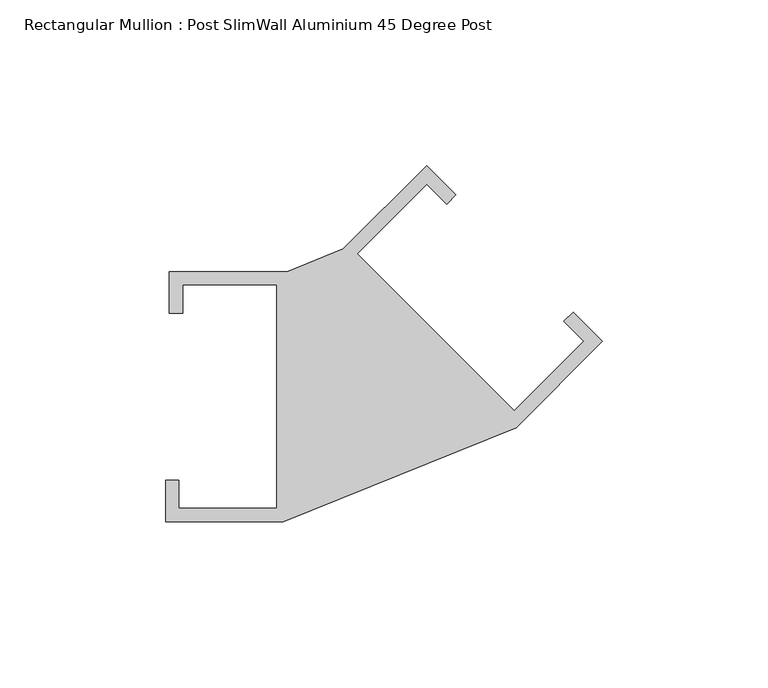
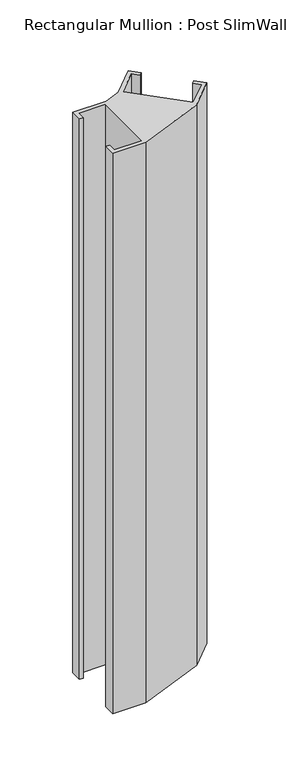
"""IFC4 building model written with IfcOpenShell, lengths in millimetres: member geometry, Rectangular Mullion : Post SlimWall Aluminium 45 Degree Post."""

import ifcopenshell
import ifcopenshell.guid

model = None  # the IFC model being written
_history = None  # IfcOwnerHistory: only IFC2X3 demands one
_inside = {}  # id of a spatial element -> (the spatial element, [elements in it])
_under = {}  # id of a project, library or spatial element -> (it, [spatial elements below it])
_declared = {}  # id of a project -> (the project, [libraries it declares])
_typed = {}  # id of a type object -> (the type object, [elements of that type])
_made_of = {}  # id of a material, layer set ... -> (it, [elements and type objects made of it])


def new_model(schema):
    """Start an empty IFC model of exactly this schema.

    Asked for "IFC4X3", IfcOpenShell would pick the latest addendum, in which some entities
    have other attributes; the version numbers below select the first issue.
    IFC2X3 requires an IfcOwnerHistory on every rooted entity: one is made here for all.
    """
    global model, _history
    if schema == "IFC4X3":
        model = ifcopenshell.file(schema_version=(4, 3, 0, 0))
    else:
        model = ifcopenshell.file(schema=schema)
    _inside.clear()
    _under.clear()
    _declared.clear()
    _typed.clear()
    _made_of.clear()
    _history = None
    if model.schema == "IFC2X3":
        org = make("IfcOrganization", Name="unknown")
        user = make(
            "IfcPersonAndOrganization",
            ThePerson=make("IfcPerson", FamilyName="unknown"),
            TheOrganization=org,
        )
        app = make(
            "IfcApplication",
            ApplicationDeveloper=org,
            Version="unknown",
            ApplicationFullName="unknown",
            ApplicationIdentifier="unknown",
        )
        _history = make(
            "IfcOwnerHistory",
            OwningUser=user,
            OwningApplication=app,
            ChangeAction="ADDED",
            CreationDate=0,
        )
    return model


def make(cls, **values):
    """One entity of the class cls with the attributes given. An attribute that is None is left unset."""
    return model.create_entity(
        cls, **{name: value for name, value in values.items() if value is not None}
    )


def rooted(cls, **values):
    """An entity with a GlobalId (a new one), such as an element, a storey or a relation."""
    return make(cls, GlobalId=ifcopenshell.guid.new(), OwnerHistory=_history, **values)


def si_unit(unit_type, name, prefix=None):
    """IfcSIUnit, for example si_unit("LENGTHUNIT", "METRE", prefix="MILLI")."""
    return make("IfcSIUnit", UnitType=unit_type, Prefix=prefix, Name=name)


def assignment(units):
    """IfcUnitAssignment: the units of a project."""
    return None if units is None else make("IfcUnitAssignment", Units=units)


def point(xyz):
    """IfcCartesianPoint."""
    return None if xyz is None else make("IfcCartesianPoint", Coordinates=xyz)


def direction(xyz):
    """IfcDirection."""
    return None if xyz is None else make("IfcDirection", DirectionRatios=xyz)


def frame(location, z_axis=None, x_axis=None):
    """IfcAxis2Placement3D, a coordinate frame: its origin and axes. An axis left out is left unset."""
    return make(
        "IfcAxis2Placement3D",
        Location=point(location),
        Axis=direction(z_axis),
        RefDirection=direction(x_axis),
    )


def origin():
    """The frame at (0, 0, 0) with its axes left unset."""
    return frame((0.0, 0.0, 0.0))


def place(relative_to, where):
    """IfcLocalPlacement: puts the frame where relative to a parent placement (None: the world)."""
    return make(
        "IfcLocalPlacement", PlacementRelTo=relative_to, RelativePlacement=where
    )


def context(
    kind, dimensions, precision=None, world=None, true_north=None, identifier=None
):
    """IfcGeometricRepresentationContext, for example the 3D "Model" context."""
    return make(
        "IfcGeometricRepresentationContext",
        ContextIdentifier=identifier,
        ContextType=kind,
        CoordinateSpaceDimension=dimensions,
        Precision=precision,
        WorldCoordinateSystem=world,
        TrueNorth=true_north,
    )


def project(units=None, contexts=None):
    """IfcProject with its units and contexts."""
    return rooted(
        "IfcProject",
        Name="project",
        RepresentationContexts=contexts,
        UnitsInContext=assignment(units),
    )


def spatial(cls, under=None, at=None, **own):
    """A site, building, storey or space (cls), placed at a placement, below another one or the project."""
    s = rooted(cls, ObjectPlacement=at, **own)
    if under is not None:
        _under.setdefault(under.id(), (under, []))[1].append(s)
    return s


def polyline(points):
    """IfcPolyline through the points."""
    return make("IfcPolyline", Points=[point(p) for p in points])


def outline(outer, holes=None, kind="AREA"):
    """IfcArbitraryClosedProfileDef: a profile drawn as a closed curve; with holes, ...WithVoids."""
    if holes is None:
        return make("IfcArbitraryClosedProfileDef", ProfileType=kind, OuterCurve=outer)
    return make(
        "IfcArbitraryProfileDefWithVoids",
        ProfileType=kind,
        OuterCurve=outer,
        InnerCurves=holes,
    )


def extrude(swept, where, along, depth):
    """IfcExtrudedAreaSolid: the profile swept, set in the frame where, extruded along a direction by depth."""
    return make(
        "IfcExtrudedAreaSolid",
        SweptArea=swept,
        Position=where,
        ExtrudedDirection=direction(along),
        Depth=depth,
    )


def shape(context_of_items, identifier, shape_type, items):
    """IfcShapeRepresentation: the items that make up one representation, for example the "Body"."""
    return make(
        "IfcShapeRepresentation",
        ContextOfItems=context_of_items,
        RepresentationIdentifier=identifier,
        RepresentationType=shape_type,
        Items=items,
    )


def source(mapping_origin, context_of_items, identifier, shape_type, items):
    """IfcRepresentationMap: a shape defined once, which mapped items show again and again."""
    return make(
        "IfcRepresentationMap",
        MappingOrigin=mapping_origin,
        MappedRepresentation=shape(context_of_items, identifier, shape_type, items),
    )


def transform(
    local_origin,
    x_axis=None,
    y_axis=None,
    z_axis=None,
    scale=None,
    scale2=None,
    scale3=None,
    uniform=True,
):
    """IfcCartesianTransformationOperator3D, or its non-uniform kind. x_axis, y_axis, z_axis: its Axis1, 2, 3."""
    if uniform:
        return make(
            "IfcCartesianTransformationOperator3D",
            Axis1=direction(x_axis),
            Axis2=direction(y_axis),
            LocalOrigin=point(local_origin),
            Scale=scale,
            Axis3=direction(z_axis),
        )
    return make(
        "IfcCartesianTransformationOperator3DnonUniform",
        Axis1=direction(x_axis),
        Axis2=direction(y_axis),
        LocalOrigin=point(local_origin),
        Scale=scale,
        Axis3=direction(z_axis),
        Scale2=scale2,
        Scale3=scale3,
    )


def mapped(mapping_source, mapping_target):
    """IfcMappedItem: shows the shape of a source again, moved by a transform."""
    return make(
        "IfcMappedItem", MappingSource=mapping_source, MappingTarget=mapping_target
    )


def made_of(thing, what):
    """Note that an element or type object is made of a material, layer set ...; save() writes the relation."""
    if what is not None:
        _made_of.setdefault(what.id(), (what, []))[1].append(thing)
    return thing


def element(
    cls,
    number,
    at=None,
    inside=None,
    cuts=None,
    type_object=None,
    material=None,
    context=None,
    identifier="Body",
    shape_type=None,
    held_by="IfcProductDefinitionShape",
    body=None,
    shapes=None,
    **own,
):
    """One element of the class cls, such as IfcWall. Its Tag is "e" and its number.

    at: its placement. inside: the storey or other place that contains it. cuts: it is an
    opening in that element (IfcRelVoidsElement). A single representation is given by context,
    identifier, shape_type and body (its items); several are given by shapes. held_by: the class
    of the entity that holds the representations. save() writes the other relations.
    """
    e = rooted(cls, Tag="e%d" % number, ObjectPlacement=at, **own)
    if body is not None:
        shapes = [shape(context, identifier, shape_type, body)]
    if shapes is not None:
        e.Representation = make(held_by, Representations=shapes)
    if inside is not None:
        _inside.setdefault(inside.id(), (inside, []))[1].append(e)
    if cuts is not None:
        rooted(
            "IfcRelVoidsElement", RelatingBuildingElement=cuts, RelatedOpeningElement=e
        )
    if type_object is not None:
        _typed.setdefault(type_object.id(), (type_object, []))[1].append(e)
    return made_of(e, material)


def aggregate(whole, parts):
    """IfcRelAggregates: a whole, such as a stair, and the parts it consists of."""
    return rooted("IfcRelAggregates", RelatingObject=whole, RelatedObjects=parts)


def save(model, path):
    """Write the relations noted so far, then the file.

    IfcRelAggregates (storeys below a building ...), IfcRelContainedInSpatialStructure (elements
    in a storey), IfcRelDefinesByType, IfcRelAssociatesMaterial and IfcRelDeclares: one each for
    every whole, place, type object, material and project.
    """
    for whole, parts in _under.values():
        aggregate(whole, parts)
    for where, things in _inside.values():
        rooted(
            "IfcRelContainedInSpatialStructure",
            RelatedElements=things,
            RelatingStructure=where,
        )
    for kind, things in _typed.values():
        rooted("IfcRelDefinesByType", RelatedObjects=things, RelatingType=kind)
    for what, things in _made_of.values():
        rooted("IfcRelAssociatesMaterial", RelatedObjects=things, RelatingMaterial=what)
    for by, libraries in _declared.values():
        rooted("IfcRelDeclares", RelatingContext=by, RelatedDefinitions=libraries)
    model.write(path)


def rectangular_mullion_post_slimwall_aluminium_45_degree_post_30f20146(model_context):
    return source(origin(), model_context, "Body", "SweptSolid", [
        extrude(outline(polyline([(-98.2886422, -33.72692), (-98.2886422, 33.72692), (-126.6653488, 33.72692), (-126.6653488, 25.22692), (-130.6653488, 25.22692), (-130.6653488, 37.72692), (-95.1653488, 37.72692), (-78.1352993, 44.6075066), (-53.0330086, 69.7097973), (-44.1941738, 60.8709626), (-47.0226009, 58.0425354), (-53.0330086, 64.0529431), (-73.8926586, 43.193293), (-26.5165043, -4.1828613), (-5.6568542, 16.6767887), (-11.6672619, 22.6871964), (-8.8388348, 25.5156235), (0.0, 16.6767887), (-26.0088157, -9.3320269), (-96.2886422, -37.72692), (-131.7886422, -37.72692), (-131.7886422, -25.22692), (-127.7886422, -25.22692), (-127.7886422, -33.72692), (-98.2886422, -33.72692)])), frame((0.0, 0.0, -630.45), z_axis=(0.0, 0.0, 1.0), x_axis=(1.0, 0.0, 0.0)), (0.0, 0.0, 1.0), 630.45),
    ])


if __name__ == "__main__":
    model = new_model("IFC4")
    model_context = context("Model", 3, world=origin())
    ifc_project = project(units=[si_unit("LENGTHUNIT", "METRE", prefix="MILLI")], contexts=[model_context])
    site = spatial("IfcSite", under=ifc_project)
    building = spatial("IfcBuilding", under=site)
    placement = place(None, origin())
    rectangular_mullion_post_slimwall_aluminium_45_degree_post_shape = rectangular_mullion_post_slimwall_aluminium_45_degree_post_30f20146(model_context)
    element("IfcMember", 1, ObjectType="Rectangular Mullion : Post SlimWall Aluminium 45 Degree Post", at=placement, inside=building, context=model_context, shape_type="MappedRepresentation", body=[
        mapped(rectangular_mullion_post_slimwall_aluminium_45_degree_post_shape, transform((0.0, 0.0, 0.0), x_axis=(1.0, 0.0, 0.0), y_axis=(0.0, 1.0, 0.0), z_axis=(0.0, 0.0, 1.0))),
    ])
    save(model, "model.ifc")
